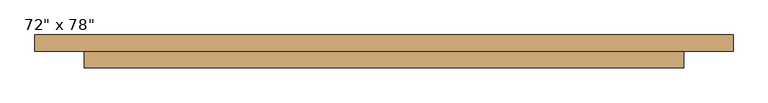
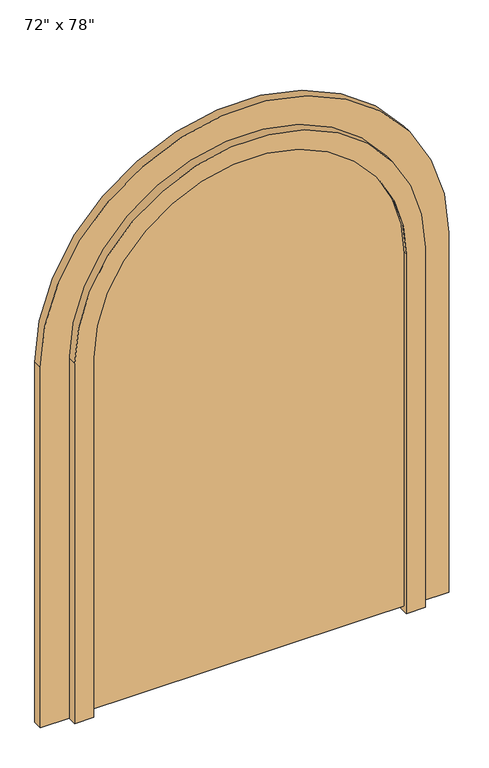
"""IFC4 building model written with IfcOpenShell, lengths in millimetres: door geometry."""

from ifc_helpers import new_model, si_unit, point, frame, frame_2d, origin, place, context, project, spatial, polyline, circle_curve, trimmed, segment, composite_curve, outline, extrude, source, transform, mapped, element, save
from ifc_brep_helpers import plane_surface, cylinder_surface, revolved_surface, advanced_brep


def door_299726bf(model_context):
    return source(origin(), model_context, "Body", "SolidModel", [
        advanced_brep(
        [(-1064.4, 150.0, 0.0), (-1064.4, 200.0, 0.0), (-1034.4, 200.0, 0.0), (-1034.4, 175.0, 0.0), (-914.4, 175.0, 0.0), (-914.4, 150.0, 0.0), (-1064.4, 150.0, 1981.2), (-1064.4, 200.0, 1981.2), (1064.4, 200.0, 1981.2), (1064.4, 200.0, 0.0), (1034.4, 200.0, 0.0), (1034.4, 200.0, 1981.2), (-1034.4, 200.0, 1981.2), (-1034.4, 175.0, 1981.2), (1034.4, 175.0, 1981.2), (1034.4, 175.0, 0.0), (914.4, 175.0, 0.0), (914.4, 175.0, 1981.2), (-914.4, 175.0, 1981.2), (-914.4, 150.0, 1981.2), (914.4, 150.0, 1981.2), (914.4, 150.0, 0.0), (1064.4, 150.0, 0.0), (1064.4, 150.0, 1981.2)],
        [
            (0, 1),
            (1, 2),
            (2, 3),
            (3, 4),
            (4, 5),
            (5, 0),
            (0, 6),
            (6, 7),
            (7, 1),
            (7, 8, circle_curve(frame((0.0, 200.0, 1981.2), z_axis=(0.0, 1.0, 0.0), x_axis=(-1.0, 0.0, 0.0)), 1064.4)),
            (8, 9),
            (9, 10),
            (10, 11),
            (11, 12, circle_curve(frame((0.0, 200.0, 1981.2), z_axis=(0.0, -1.0, 0.0), x_axis=(-1.0, 0.0, 0.0)), 1034.4)),
            (12, 2),
            (12, 13),
            (13, 3),
            (13, 14, circle_curve(frame((0.0, 175.0, 1981.2), z_axis=(0.0, 1.0, 0.0), x_axis=(-1.0, 0.0, 0.0)), 1034.4)),
            (14, 15),
            (15, 16),
            (16, 17),
            (17, 18, circle_curve(frame((0.0, 175.0, 1981.2), z_axis=(0.0, -1.0, 0.0), x_axis=(-1.0, 0.0, 0.0)), 914.4)),
            (18, 4),
            (18, 19),
            (19, 5),
            (19, 20, circle_curve(frame((0.0, 150.0, 1981.2), z_axis=(0.0, 1.0, 0.0), x_axis=(-1.0, 0.0, 0.0)), 914.4)),
            (20, 21),
            (21, 22),
            (22, 23),
            (23, 6, circle_curve(frame((0.0, 150.0, 1981.2), z_axis=(0.0, -1.0, 0.0), x_axis=(-1.0, 0.0, 0.0)), 1064.4)),
            (8, 23),
            (22, 9),
            (21, 16),
            (15, 10),
            (14, 11),
            (20, 17),
        ],
        [
            plane_surface(frame((-914.4, 150.0, 0.0), z_axis=(0.0, 0.0, -1.0), x_axis=(-1.0, 0.0, 0.0))),
            plane_surface(frame((-1064.4, 150.0, 0.0), z_axis=(-1.0, 0.0, 0.0), x_axis=(0.0, 0.0, 1.0))),
            plane_surface(frame((-1064.4, 200.0, 0.0), z_axis=(0.0, 1.0, 0.0), x_axis=(0.0, 0.0, 1.0))),
            plane_surface(frame((-1034.4, 200.0, 0.0), z_axis=(1.0, 0.0, 0.0), x_axis=(0.0, 0.0, 1.0))),
            plane_surface(frame((-1034.4, 175.0, 0.0), z_axis=(0.0, 1.0, 0.0), x_axis=(0.0, 0.0, 1.0))),
            plane_surface(frame((-914.4, 175.0, 0.0), z_axis=(1.0, 0.0, 0.0), x_axis=(0.0, 0.0, 1.0))),
            plane_surface(frame((-914.4, 150.0, 0.0), z_axis=(0.0, -1.0, 0.0), x_axis=(0.0, 0.0, 1.0))),
            plane_surface(frame((1064.4, 150.0, 1981.2), z_axis=(1.0, 0.0, 0.0), x_axis=(0.0, 0.0, -1.0))),
            plane_surface(frame((914.4, 150.0, 0.0), z_axis=(0.0, 0.0, -1.0), x_axis=(1.0, 0.0, 0.0))),
            plane_surface(frame((1034.4, 200.0, 1981.2), z_axis=(-1.0, 0.0, 0.0), x_axis=(0.0, 0.0, -1.0))),
            plane_surface(frame((914.4, 175.0, 1981.2), z_axis=(-1.0, 0.0, 0.0), x_axis=(0.0, 0.0, -1.0))),
            cylinder_surface(frame((0.0, 150.0, 1981.2), z_axis=(0.0, 1.0, 0.0), x_axis=(-1.0, 0.0, 0.0)), 1064.4),
            revolved_surface(polyline([(-1034.4, 200.0, 1981.2), (-1034.4, 175.0, 1981.2)]), (0.0, 150.0, 1981.2), (0.0, 1.0, 0.0)),
            revolved_surface(polyline([(-914.4, 175.0, 1981.2), (-914.4, 150.0, 1981.2)]), (0.0, 150.0, 1981.2), (0.0, 1.0, 0.0)),
        ],
        [
            (0, [[1, 2, 3, 4, 5, 6]]),
            (1, [[-1, 7, 8, 9]]),
            (2, [[-2, -9, 10, 11, 12, 13, 14, 15]]),
            (3, [[-3, -15, 16, 17]]),
            (4, [[-4, -17, 18, 19, 20, 21, 22, 23]]),
            (5, [[-5, -23, 24, 25]]),
            (6, [[-6, -25, 26, 27, 28, 29, 30, -7]]),
            (7, [[31, -29, 32, -11]]),
            (8, [[-28, 33, -20, 34, -12, -32]]),
            (9, [[35, -13, -34, -19]]),
            (10, [[36, -21, -33, -27]]),
            (11, [[-10, -8, -30, -31]]),
            (12, [[-18, -16, -14, -35]]),
            (13, [[-26, -24, -22, -36]]),
        ],
    ),
        extrude(outline(composite_curve([segment(polyline([(0.0, 814.4), (0.0, 914.4), (1981.2, 914.4)]), True, "CONTINUOUS"), segment(trimmed(circle_curve(frame_2d((1981.2, 0.0)), 914.4), [point((1981.2, 914.4))], [point((1981.2, -914.4))], False, "CARTESIAN"), True, "CONTINUOUS"), segment(polyline([(1981.2, -914.4), (0.0, -914.4), (0.0, -814.4), (1981.2, -814.4)]), True, "CONTINUOUS"), segment(trimmed(circle_curve(frame_2d((1981.2, 0.0)), 814.4), [point((1981.2, -814.4))], [point((1981.2, 814.4))], True, "CARTESIAN"), True, "CONTINUOUS"), segment(polyline([(1981.2, 814.4), (0.0, 814.4)]), True, "CONTINUOUS")], self_intersect=False)), frame((0.0, 100.0, 0.0), z_axis=(0.0, 1.0, 0.0), x_axis=(0.0, 0.0, 1.0)), (0.0, 0.0, 1.0), 50.0),
        extrude(outline(composite_curve([segment(trimmed(circle_curve(frame_2d((1981.2, 0.0)), 904.4), [point((1981.2, 904.4))], [point((1981.2, -904.4))], False, "CARTESIAN"), True, "CONTINUOUS"), segment(polyline([(1981.2, -904.4), (30.0, -904.4), (30.0, 904.4), (1981.2, 904.4)]), True, "CONTINUOUS")], self_intersect=False)), frame((0.0, 120.0, 0.0), z_axis=(0.0, 1.0, 0.0), x_axis=(0.0, 0.0, 1.0)), (0.0, 0.0, 1.0), 30.0),
    ])


if __name__ == "__main__":
    model = new_model("IFC4")
    model_context = context("Model", 3, world=origin())
    ifc_project = project(units=[si_unit("LENGTHUNIT", "METRE", prefix="MILLI")], contexts=[model_context])
    site = spatial("IfcSite", under=ifc_project)
    building = spatial("IfcBuilding", under=site)
    placement = place(None, origin())
    door_shape = door_299726bf(model_context)
    element("IfcDoor", 1, ObjectType="72\" x 78\"", at=placement, inside=building, context=model_context, shape_type="MappedRepresentation", body=[
        mapped(door_shape, transform((0.0, 0.0, 0.0), x_axis=(1.0, 0.0, 0.0), y_axis=(0.0, 1.0, 0.0), z_axis=(0.0, 0.0, 1.0))),
    ])
    save(model, "model.ifc")
